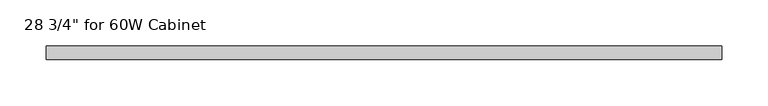
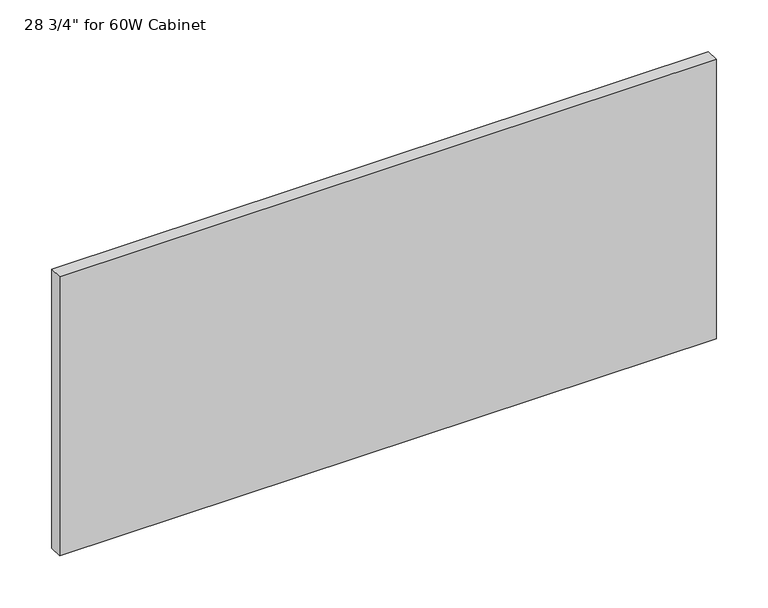
"""IFC4 building model written with IfcOpenShell, lengths in millimetres: furniture geometry."""

from ifc_helpers import new_model, si_unit, frame, origin, place, context, project, spatial, polyline, outline, extrude, source, transform, mapped, element, save


def furniture_9a08d32e(model_context):
    return source(origin(), model_context, "Body", "SweptSolid", [
        extrude(outline(polyline([(365.125, -33.8601849), (365.125, -48.5445599), (-365.125, -48.5445599), (-365.125, -33.8601849), (365.125, -33.8601849)])), frame((0.0, 0.0, 1079.5), z_axis=(0.0, 0.0, 1.0), x_axis=(1.0, 0.0, 0.0)), (0.0, 0.0, 1.0), 328.1164062),
    ])


if __name__ == "__main__":
    model = new_model("IFC4")
    model_context = context("Model", 3, world=origin())
    ifc_project = project(units=[si_unit("LENGTHUNIT", "METRE", prefix="MILLI")], contexts=[model_context])
    site = spatial("IfcSite", under=ifc_project)
    building = spatial("IfcBuilding", under=site)
    placement = place(None, origin())
    furniture_shape = furniture_9a08d32e(model_context)
    element("IfcFurniture", 1, ObjectType="28 3/4\" for 60W Cabinet", at=placement, inside=building, context=model_context, shape_type="MappedRepresentation", body=[
        mapped(furniture_shape, transform((0.0, 0.0, 0.0), x_axis=(1.0, 0.0, 0.0), y_axis=(0.0, 1.0, 0.0), z_axis=(0.0, 0.0, 1.0))),
    ])
    save(model, "model.ifc")
